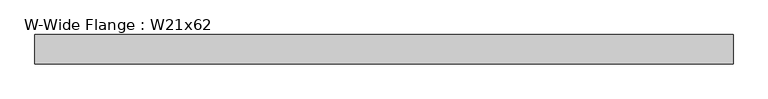
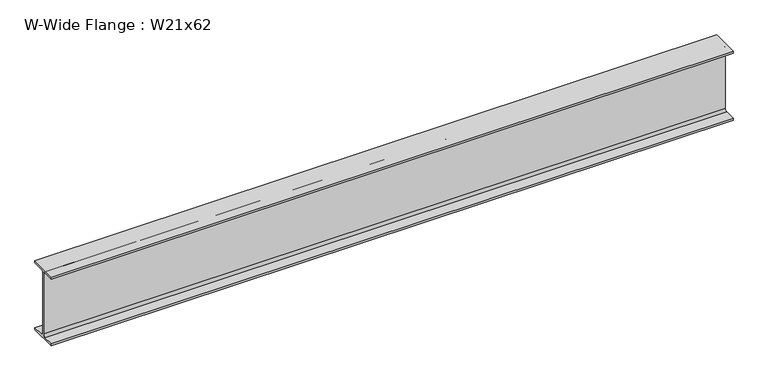
"""IFC4 building model written with IfcOpenShell, lengths in millimetres: beam geometry, W-Wide Flange : W21x62."""

from ifc_helpers import new_model, si_unit, point, frame, frame_2d, origin, place, context, project, spatial, polyline, circle_curve, trimmed, segment, composite_curve, outline, extrude, source, transform, mapped, element, save


def w_wide_flange_w21x62_2b24e7de(model_context):
    return source(origin(), model_context, "Body", "SweptSolid", [
        extrude(outline(composite_curve([segment(polyline([(104.648, -251.079), (104.648, -266.7), (-104.648, -266.7), (-104.648, -251.079), (-22.7965, -251.079)]), True, "CONTINUOUS"), segment(trimmed(circle_curve(frame_2d((-22.7965, -233.3625)), 17.7165), [point((-22.7965, -251.079))], [point((-5.08, -233.3625))], True, "CARTESIAN"), True, "CONTINUOUS"), segment(polyline([(-5.08, -233.3625), (-5.08, 233.3625)]), True, "CONTINUOUS"), segment(trimmed(circle_curve(frame_2d((-22.7965, 233.3625)), 17.7165), [point((-5.08, 233.3625))], [point((-22.7965, 251.079))], True, "CARTESIAN"), True, "CONTINUOUS"), segment(polyline([(-22.7965, 251.079), (-104.648, 251.079), (-104.648, 266.7), (104.648, 266.7), (104.648, 251.079), (22.7965, 251.079)]), True, "CONTINUOUS"), segment(trimmed(circle_curve(frame_2d((22.7965, 233.3625)), 17.7165), [point((22.7965, 251.079))], [point((5.08, 233.3625))], True, "CARTESIAN"), True, "CONTINUOUS"), segment(polyline([(5.08, 233.3625), (5.08, -233.3625)]), True, "CONTINUOUS"), segment(trimmed(circle_curve(frame_2d((22.7965, -233.3625)), 17.7165), [point((5.08, -233.3625))], [point((22.7965, -251.079))], True, "CARTESIAN"), True, "CONTINUOUS"), segment(polyline([(22.7965, -251.079), (104.648, -251.079)]), True, "CONTINUOUS")], self_intersect=False)), frame((-2559.7979837, 0.0, 0.0), z_axis=(1.0, 0.0, 0.0), x_axis=(0.0, 1.0, 0.0)), (0.0, 0.0, 1.0), 4990.4105214),
    ])


if __name__ == "__main__":
    model = new_model("IFC4")
    model_context = context("Model", 3, world=origin())
    ifc_project = project(units=[si_unit("LENGTHUNIT", "METRE", prefix="MILLI")], contexts=[model_context])
    site = spatial("IfcSite", under=ifc_project)
    building = spatial("IfcBuilding", under=site)
    placement = place(None, origin())
    w_wide_flange_w21x62_shape = w_wide_flange_w21x62_2b24e7de(model_context)
    element("IfcBeam", 1, ObjectType="W-Wide Flange : W21x62", at=placement, inside=building, context=model_context, shape_type="MappedRepresentation", body=[
        mapped(w_wide_flange_w21x62_shape, transform((0.0, 0.0, 0.0), x_axis=(1.0, 0.0, 0.0), y_axis=(0.0, 1.0, 0.0), z_axis=(0.0, 0.0, 1.0))),
    ])
    save(model, "model.ifc")
